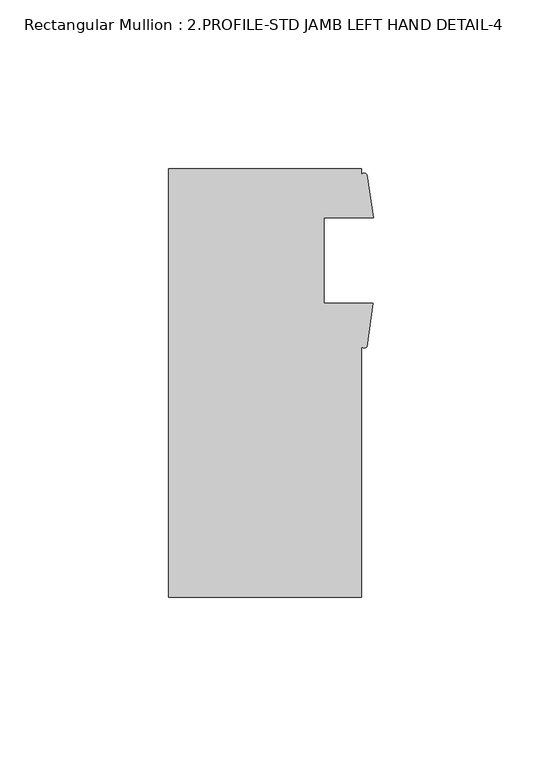
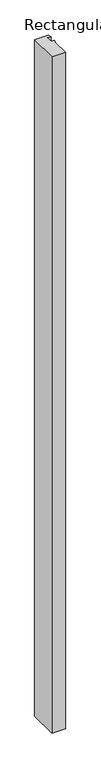
"""IFC4 building model written with IfcOpenShell, lengths in millimetres: member geometry, Rectangular Mullion : 2.PROFILE-STD JAMB LEFT HAND DETAIL-4."""

import ifcopenshell
import ifcopenshell.guid

model = None  # the IFC model being written
_history = None  # IfcOwnerHistory: only IFC2X3 demands one
_inside = {}  # id of a spatial element -> (the spatial element, [elements in it])
_under = {}  # id of a project, library or spatial element -> (it, [spatial elements below it])
_declared = {}  # id of a project -> (the project, [libraries it declares])
_typed = {}  # id of a type object -> (the type object, [elements of that type])
_made_of = {}  # id of a material, layer set ... -> (it, [elements and type objects made of it])


def new_model(schema):
    """Start an empty IFC model of exactly this schema.

    Asked for "IFC4X3", IfcOpenShell would pick the latest addendum, in which some entities
    have other attributes; the version numbers below select the first issue.
    IFC2X3 requires an IfcOwnerHistory on every rooted entity: one is made here for all.
    """
    global model, _history
    if schema == "IFC4X3":
        model = ifcopenshell.file(schema_version=(4, 3, 0, 0))
    else:
        model = ifcopenshell.file(schema=schema)
    _inside.clear()
    _under.clear()
    _declared.clear()
    _typed.clear()
    _made_of.clear()
    _history = None
    if model.schema == "IFC2X3":
        org = make("IfcOrganization", Name="unknown")
        user = make(
            "IfcPersonAndOrganization",
            ThePerson=make("IfcPerson", FamilyName="unknown"),
            TheOrganization=org,
        )
        app = make(
            "IfcApplication",
            ApplicationDeveloper=org,
            Version="unknown",
            ApplicationFullName="unknown",
            ApplicationIdentifier="unknown",
        )
        _history = make(
            "IfcOwnerHistory",
            OwningUser=user,
            OwningApplication=app,
            ChangeAction="ADDED",
            CreationDate=0,
        )
    return model


def make(cls, **values):
    """One entity of the class cls with the attributes given. An attribute that is None is left unset."""
    return model.create_entity(
        cls, **{name: value for name, value in values.items() if value is not None}
    )


def rooted(cls, **values):
    """An entity with a GlobalId (a new one), such as an element, a storey or a relation."""
    return make(cls, GlobalId=ifcopenshell.guid.new(), OwnerHistory=_history, **values)


def si_unit(unit_type, name, prefix=None):
    """IfcSIUnit, for example si_unit("LENGTHUNIT", "METRE", prefix="MILLI")."""
    return make("IfcSIUnit", UnitType=unit_type, Prefix=prefix, Name=name)


def assignment(units):
    """IfcUnitAssignment: the units of a project."""
    return None if units is None else make("IfcUnitAssignment", Units=units)


def point(xyz):
    """IfcCartesianPoint."""
    return None if xyz is None else make("IfcCartesianPoint", Coordinates=xyz)


def direction(xyz):
    """IfcDirection."""
    return None if xyz is None else make("IfcDirection", DirectionRatios=xyz)


def frame(location, z_axis=None, x_axis=None):
    """IfcAxis2Placement3D, a coordinate frame: its origin and axes. An axis left out is left unset."""
    return make(
        "IfcAxis2Placement3D",
        Location=point(location),
        Axis=direction(z_axis),
        RefDirection=direction(x_axis),
    )


def frame_2d(location, x_axis=None):
    """IfcAxis2Placement2D, a coordinate frame in the plane: its origin and x axis."""
    return make(
        "IfcAxis2Placement2D", Location=point(location), RefDirection=direction(x_axis)
    )


def origin():
    """The frame at (0, 0, 0) with its axes left unset."""
    return frame((0.0, 0.0, 0.0))


def place(relative_to, where):
    """IfcLocalPlacement: puts the frame where relative to a parent placement (None: the world)."""
    return make(
        "IfcLocalPlacement", PlacementRelTo=relative_to, RelativePlacement=where
    )


def context(
    kind, dimensions, precision=None, world=None, true_north=None, identifier=None
):
    """IfcGeometricRepresentationContext, for example the 3D "Model" context."""
    return make(
        "IfcGeometricRepresentationContext",
        ContextIdentifier=identifier,
        ContextType=kind,
        CoordinateSpaceDimension=dimensions,
        Precision=precision,
        WorldCoordinateSystem=world,
        TrueNorth=true_north,
    )


def project(units=None, contexts=None):
    """IfcProject with its units and contexts."""
    return rooted(
        "IfcProject",
        Name="project",
        RepresentationContexts=contexts,
        UnitsInContext=assignment(units),
    )


def spatial(cls, under=None, at=None, **own):
    """A site, building, storey or space (cls), placed at a placement, below another one or the project."""
    s = rooted(cls, ObjectPlacement=at, **own)
    if under is not None:
        _under.setdefault(under.id(), (under, []))[1].append(s)
    return s


def polyline(points):
    """IfcPolyline through the points."""
    return make("IfcPolyline", Points=[point(p) for p in points])


def circle_curve(where, radius):
    """IfcCircle in the frame where."""
    return make("IfcCircle", Position=where, Radius=radius)


def trimmed(basis, trim1, trim2, sense, master):
    """IfcTrimmedCurve: the piece of a basis curve between two trims."""
    return make(
        "IfcTrimmedCurve",
        BasisCurve=basis,
        Trim1=trim1,
        Trim2=trim2,
        SenseAgreement=sense,
        MasterRepresentation=master,
    )


def segment(curve, same_sense, transition):
    """IfcCompositeCurveSegment."""
    return make(
        "IfcCompositeCurveSegment",
        Transition=transition,
        SameSense=same_sense,
        ParentCurve=curve,
    )


def composite_curve(segments, self_intersect=None):
    """IfcCompositeCurve: segments joined end to end."""
    return make("IfcCompositeCurve", Segments=segments, SelfIntersect=self_intersect)


def outline(outer, holes=None, kind="AREA"):
    """IfcArbitraryClosedProfileDef: a profile drawn as a closed curve; with holes, ...WithVoids."""
    if holes is None:
        return make("IfcArbitraryClosedProfileDef", ProfileType=kind, OuterCurve=outer)
    return make(
        "IfcArbitraryProfileDefWithVoids",
        ProfileType=kind,
        OuterCurve=outer,
        InnerCurves=holes,
    )


def extrude(swept, where, along, depth):
    """IfcExtrudedAreaSolid: the profile swept, set in the frame where, extruded along a direction by depth."""
    return make(
        "IfcExtrudedAreaSolid",
        SweptArea=swept,
        Position=where,
        ExtrudedDirection=direction(along),
        Depth=depth,
    )


def shape(context_of_items, identifier, shape_type, items):
    """IfcShapeRepresentation: the items that make up one representation, for example the "Body"."""
    return make(
        "IfcShapeRepresentation",
        ContextOfItems=context_of_items,
        RepresentationIdentifier=identifier,
        RepresentationType=shape_type,
        Items=items,
    )


def source(mapping_origin, context_of_items, identifier, shape_type, items):
    """IfcRepresentationMap: a shape defined once, which mapped items show again and again."""
    return make(
        "IfcRepresentationMap",
        MappingOrigin=mapping_origin,
        MappedRepresentation=shape(context_of_items, identifier, shape_type, items),
    )


def transform(
    local_origin,
    x_axis=None,
    y_axis=None,
    z_axis=None,
    scale=None,
    scale2=None,
    scale3=None,
    uniform=True,
):
    """IfcCartesianTransformationOperator3D, or its non-uniform kind. x_axis, y_axis, z_axis: its Axis1, 2, 3."""
    if uniform:
        return make(
            "IfcCartesianTransformationOperator3D",
            Axis1=direction(x_axis),
            Axis2=direction(y_axis),
            LocalOrigin=point(local_origin),
            Scale=scale,
            Axis3=direction(z_axis),
        )
    return make(
        "IfcCartesianTransformationOperator3DnonUniform",
        Axis1=direction(x_axis),
        Axis2=direction(y_axis),
        LocalOrigin=point(local_origin),
        Scale=scale,
        Axis3=direction(z_axis),
        Scale2=scale2,
        Scale3=scale3,
    )


def mapped(mapping_source, mapping_target):
    """IfcMappedItem: shows the shape of a source again, moved by a transform."""
    return make(
        "IfcMappedItem", MappingSource=mapping_source, MappingTarget=mapping_target
    )


def made_of(thing, what):
    """Note that an element or type object is made of a material, layer set ...; save() writes the relation."""
    if what is not None:
        _made_of.setdefault(what.id(), (what, []))[1].append(thing)
    return thing


def element(
    cls,
    number,
    at=None,
    inside=None,
    cuts=None,
    type_object=None,
    material=None,
    context=None,
    identifier="Body",
    shape_type=None,
    held_by="IfcProductDefinitionShape",
    body=None,
    shapes=None,
    **own,
):
    """One element of the class cls, such as IfcWall. Its Tag is "e" and its number.

    at: its placement. inside: the storey or other place that contains it. cuts: it is an
    opening in that element (IfcRelVoidsElement). A single representation is given by context,
    identifier, shape_type and body (its items); several are given by shapes. held_by: the class
    of the entity that holds the representations. save() writes the other relations.
    """
    e = rooted(cls, Tag="e%d" % number, ObjectPlacement=at, **own)
    if body is not None:
        shapes = [shape(context, identifier, shape_type, body)]
    if shapes is not None:
        e.Representation = make(held_by, Representations=shapes)
    if inside is not None:
        _inside.setdefault(inside.id(), (inside, []))[1].append(e)
    if cuts is not None:
        rooted(
            "IfcRelVoidsElement", RelatingBuildingElement=cuts, RelatedOpeningElement=e
        )
    if type_object is not None:
        _typed.setdefault(type_object.id(), (type_object, []))[1].append(e)
    return made_of(e, material)


def aggregate(whole, parts):
    """IfcRelAggregates: a whole, such as a stair, and the parts it consists of."""
    return rooted("IfcRelAggregates", RelatingObject=whole, RelatedObjects=parts)


def save(model, path):
    """Write the relations noted so far, then the file.

    IfcRelAggregates (storeys below a building ...), IfcRelContainedInSpatialStructure (elements
    in a storey), IfcRelDefinesByType, IfcRelAssociatesMaterial and IfcRelDeclares: one each for
    every whole, place, type object, material and project.
    """
    for whole, parts in _under.values():
        aggregate(whole, parts)
    for where, things in _inside.values():
        rooted(
            "IfcRelContainedInSpatialStructure",
            RelatedElements=things,
            RelatingStructure=where,
        )
    for kind, things in _typed.values():
        rooted("IfcRelDefinesByType", RelatedObjects=things, RelatingType=kind)
    for what, things in _made_of.values():
        rooted("IfcRelAssociatesMaterial", RelatedObjects=things, RelatingMaterial=what)
    for by, libraries in _declared.values():
        rooted("IfcRelDeclares", RelatingContext=by, RelatedDefinitions=libraries)
    model.write(path)


def rectangular_mullion_2_profile_std_jamb_left_hand_detail_4_88a830d0(model_context):
    return source(origin(), model_context, "Body", "SweptSolid", [
        extrude(outline(composite_curve([segment(polyline([(-60.6695217, 62.8017077), (-3.5195217, 62.8017077), (-3.5195217, 61.0712355)]), True, "CONTINUOUS"), segment(trimmed(circle_curve(frame_2d((-2.6878195, 60.4231299)), 1.0544047), [point((-3.5195217, 61.0712355))], [point((-1.8561173, 61.0712355))], False, "CARTESIAN"), True, "CONTINUOUS"), segment(polyline([(-1.8561173, 61.0712355), (0.0, 48.2981827), (-14.6320217, 48.2981827), (-14.6320217, 22.8981827), (-0.1235217, 22.8981827), (-1.9336255, 10.1268951)]), True, "CONTINUOUS"), segment(trimmed(circle_curve(frame_2d((-2.7265736, 10.6163843)), 0.9318618), [point((-1.9336255, 10.1268951))], [point((-3.5195217, 10.1268951))], False, "CARTESIAN"), True, "CONTINUOUS"), segment(polyline([(-3.5195217, 10.1268951), (-3.5195217, -64.1982923), (-60.6695217, -64.1982923), (-60.6695217, 62.8017077)]), True, "CONTINUOUS")], self_intersect=False)), frame((0.0, 0.0, -3048.0), z_axis=(0.0, 0.0, 1.0), x_axis=(1.0, 0.0, 0.0)), (0.0, 0.0, 1.0), 3048.0),
    ])


if __name__ == "__main__":
    model = new_model("IFC4")
    model_context = context("Model", 3, world=origin())
    ifc_project = project(units=[si_unit("LENGTHUNIT", "METRE", prefix="MILLI")], contexts=[model_context])
    site = spatial("IfcSite", under=ifc_project)
    building = spatial("IfcBuilding", under=site)
    placement = place(None, origin())
    rectangular_mullion_2_profile_std_jamb_left_hand_detail_4_shape = rectangular_mullion_2_profile_std_jamb_left_hand_detail_4_88a830d0(model_context)
    element("IfcMember", 1, ObjectType="Rectangular Mullion : 2.PROFILE-STD JAMB LEFT HAND DETAIL-4", at=placement, inside=building, context=model_context, shape_type="MappedRepresentation", body=[
        mapped(rectangular_mullion_2_profile_std_jamb_left_hand_detail_4_shape, transform((0.0, 0.0, 0.0), x_axis=(1.0, 0.0, 0.0), y_axis=(0.0, 1.0, 0.0), z_axis=(0.0, 0.0, 1.0))),
    ])
    save(model, "model.ifc")
